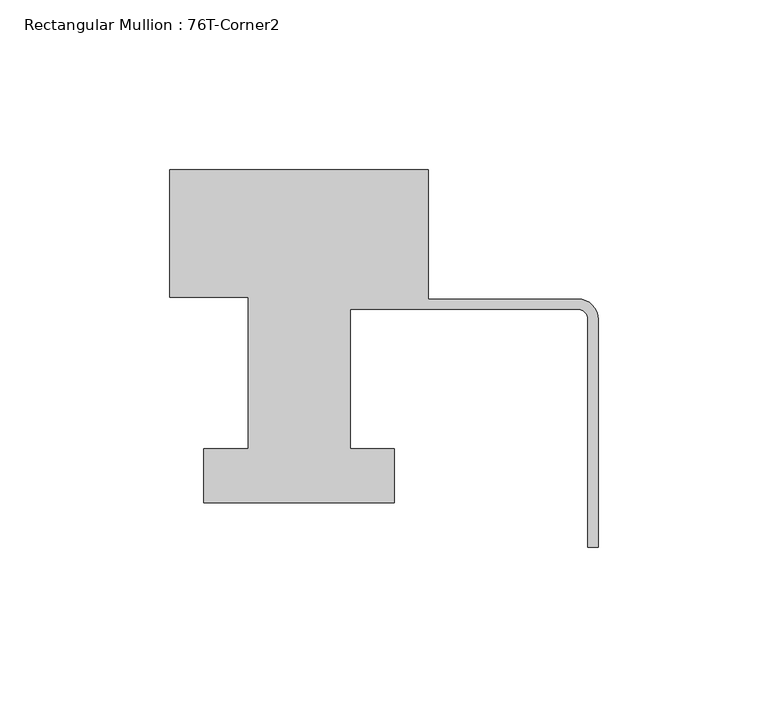
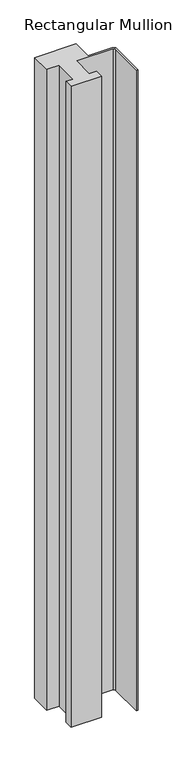
"""IFC4 building model written with IfcOpenShell, lengths in millimetres: member geometry, Rectangular Mullion : 76T-Corner2."""

from ifc_helpers import new_model, si_unit, point, frame, frame_2d, origin, place, context, project, spatial, polyline, circle_curve, trimmed, segment, composite_curve, outline, extrude, source, transform, mapped, element, save


def rectangular_mullion_76t_corner2_1aa9a38c(model_context):
    return source(origin(), model_context, "Body", "SweptSolid", [
        extrude(outline(composite_curve([segment(polyline([(-126.0, 38.0), (-50.0, 38.0), (-50.0, 0.0), (-6.0, 0.0)]), True, "CONTINUOUS"), segment(trimmed(circle_curve(frame_2d((-6.0, -6.0)), 6.0), [point((-6.0, 0.0))], [point((0.0, -6.0))], False, "CARTESIAN"), True, "CONTINUOUS"), segment(polyline([(0.0, -6.0), (0.0, -73.0), (-3.0, -73.0), (-3.0, -6.0)]), True, "CONTINUOUS"), segment(trimmed(circle_curve(frame_2d((-6.0, -6.0)), 3.0), [point((-3.0, -6.0))], [point((-6.0, -3.0))], True, "CARTESIAN"), True, "CONTINUOUS"), segment(polyline([(-6.0, -3.0), (-73.0, -3.0), (-73.0, -44.0), (-60.0, -44.0), (-60.0, -60.0), (-116.0, -60.0), (-116.0, -44.0), (-103.0, -44.0), (-103.0, 0.5), (-126.0, 0.5), (-126.0, 38.0)]), True, "CONTINUOUS")], self_intersect=False)), frame((0.0, 0.0, -1246.465707), z_axis=(0.0, 0.0, 1.0), x_axis=(1.0, 0.0, 0.0)), (0.0, 0.0, 1.0), 1246.465707),
    ])


if __name__ == "__main__":
    model = new_model("IFC4")
    model_context = context("Model", 3, world=origin())
    ifc_project = project(units=[si_unit("LENGTHUNIT", "METRE", prefix="MILLI")], contexts=[model_context])
    site = spatial("IfcSite", under=ifc_project)
    building = spatial("IfcBuilding", under=site)
    placement = place(None, origin())
    rectangular_mullion_76t_corner2_shape = rectangular_mullion_76t_corner2_1aa9a38c(model_context)
    element("IfcMember", 1, ObjectType="Rectangular Mullion : 76T-Corner2", at=placement, inside=building, context=model_context, shape_type="MappedRepresentation", body=[
        mapped(rectangular_mullion_76t_corner2_shape, transform((0.0, 0.0, 0.0), x_axis=(1.0, 0.0, 0.0), y_axis=(0.0, 1.0, 0.0), z_axis=(0.0, 0.0, 1.0))),
    ])
    save(model, "model.ifc")
